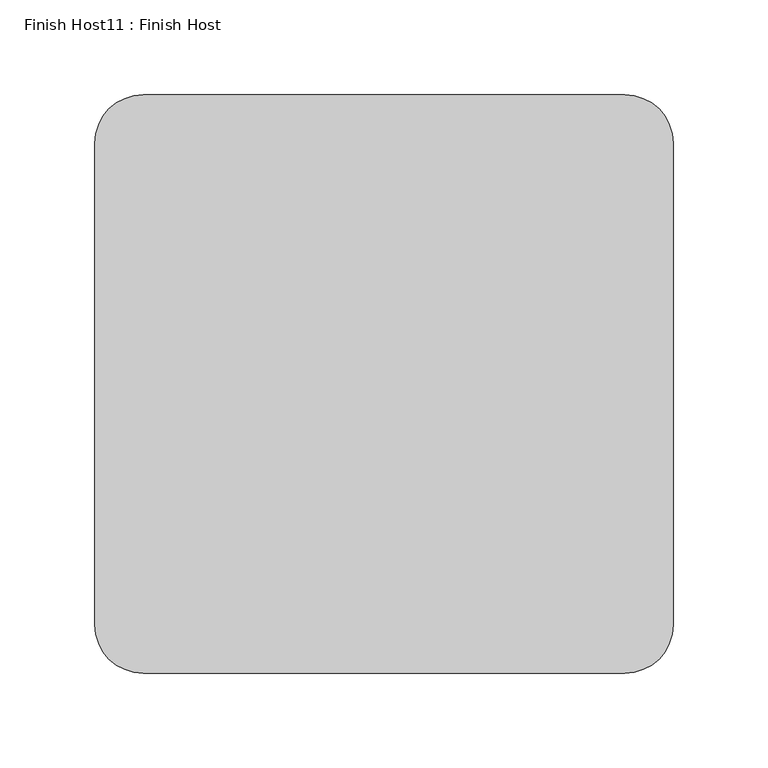
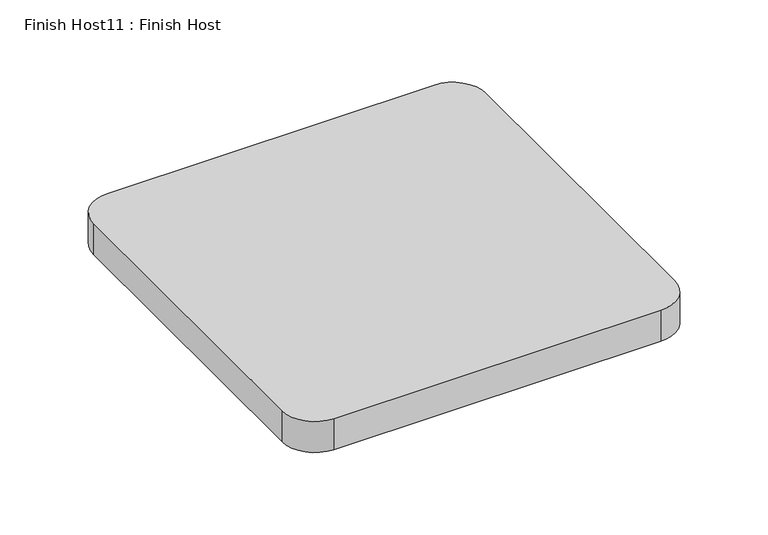
"""IFC4 building model written with IfcOpenShell, lengths in millimetres: proxy geometry, Finish Host11 : Finish Host."""

from ifc_helpers import new_model, si_unit, point, frame_2d, origin, origin_with_axes, place, context, project, spatial, polyline, circle_curve, trimmed, segment, composite_curve, outline, extrude, source, transform, mapped, element, save


def finish_host11_finish_host_68f65390(model_context):
    return source(origin(), model_context, "Body", "SweptSolid", [
        extrude(outline(composite_curve([segment(polyline([(5763.0934426, 1206.8122951), (5763.0934426, 1460.8122951)]), True, "CONTINUOUS"), segment(trimmed(circle_curve(frame_2d((5788.4934426, 1460.8122951)), 25.4), [point((5763.0934426, 1460.8122951))], [point((5788.4934426, 1486.2122951))], False, "CARTESIAN"), True, "CONTINUOUS"), segment(polyline([(5788.4934426, 1486.2122951), (6042.4934426, 1486.2122951)]), True, "CONTINUOUS"), segment(trimmed(circle_curve(frame_2d((6042.4934426, 1460.8122951)), 25.4), [point((6042.4934426, 1486.2122951))], [point((6067.8934426, 1460.8122951))], False, "CARTESIAN"), True, "CONTINUOUS"), segment(polyline([(6067.8934426, 1460.8122951), (6067.8934426, 1206.8122951)]), True, "CONTINUOUS"), segment(trimmed(circle_curve(frame_2d((6042.4934426, 1206.8122951)), 25.4), [point((6067.8934426, 1206.8122951))], [point((6042.4934426, 1181.4122951))], False, "CARTESIAN"), True, "CONTINUOUS"), segment(polyline([(6042.4934426, 1181.4122951), (5788.4934426, 1181.4122951)]), True, "CONTINUOUS"), segment(trimmed(circle_curve(frame_2d((5788.4934426, 1206.8122951)), 25.4), [point((5788.4934426, 1181.4122951))], [point((5763.0934426, 1206.8122951))], False, "CARTESIAN"), True, "CONTINUOUS")], self_intersect=False)), origin_with_axes(), (0.0, 0.0, 1.0), 25.4),
    ])


if __name__ == "__main__":
    model = new_model("IFC4")
    model_context = context("Model", 3, world=origin())
    ifc_project = project(units=[si_unit("LENGTHUNIT", "METRE", prefix="MILLI")], contexts=[model_context])
    site = spatial("IfcSite", under=ifc_project)
    building = spatial("IfcBuilding", under=site)
    placement = place(None, origin())
    finish_host11_finish_host_shape = finish_host11_finish_host_68f65390(model_context)
    element("IfcBuildingElementProxy", 1, Name="Finish Host11 : Finish Host", ObjectType="Finish Host11 : Finish Host", at=placement, inside=building, context=model_context, shape_type="MappedRepresentation", body=[
        mapped(finish_host11_finish_host_shape, transform((0.0, 0.0, 0.0), x_axis=(1.0, 0.0, 0.0), y_axis=(0.0, 1.0, 0.0), z_axis=(0.0, 0.0, 1.0))),
    ])
    save(model, "model.ifc")
